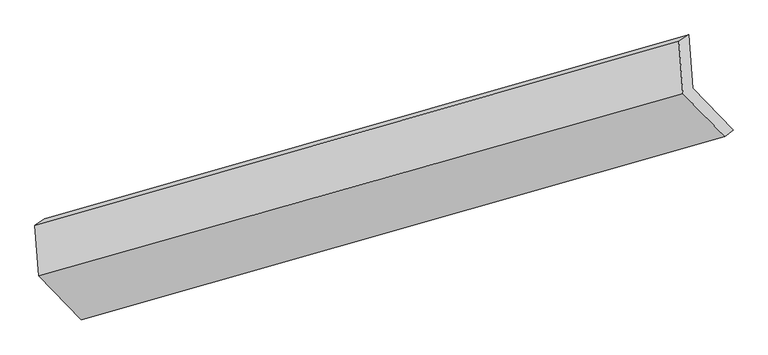
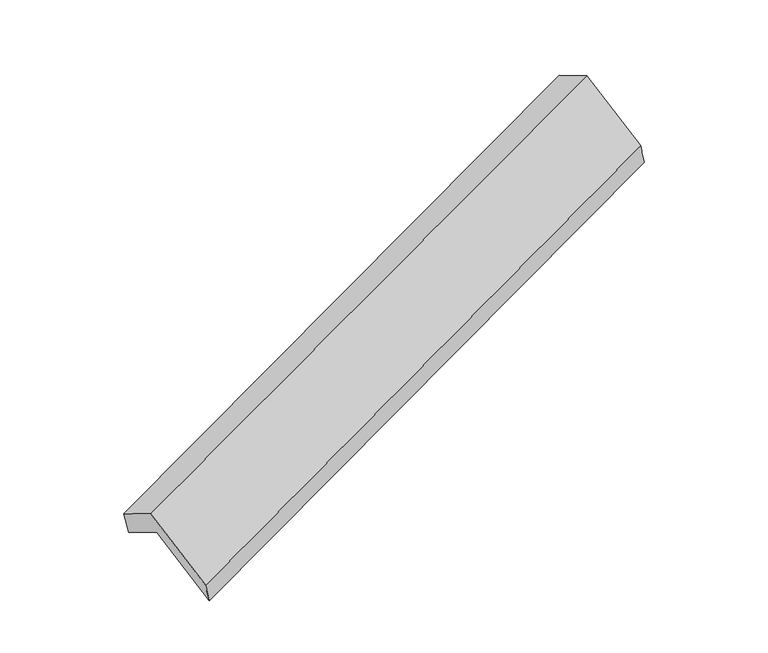
"""IFC4 building model written with IfcOpenShell, lengths in millimetres: proxy geometry."""

from ifc_helpers import new_model, si_unit, frame, origin, place, context, project, spatial, source, transform, mapped, element, save
from ifc_brep_helpers import plane_surface, spline_surface, advanced_brep


def generic_models_2ca21962(model_context):
    return source(origin(), model_context, "Body", "AdvancedBrep", [
        advanced_brep(
        [(-5052.6754085, -2124.9307598, 1287.5263288), (-5079.4506169, -1768.9452085, 1082.4433443), (-797.1003259, -544.5230754, 2648.7154913), (-770.3251175, -900.5086268, 2853.7984758), (-5143.0778231, -1811.5732876, 1289.7309149), (-860.727532, -587.1511546, 2856.003062), (-5117.6033109, -2150.2656377, 1484.8513004), (-834.6026717, -934.4901053, 3056.1047469), (-4835.6882475, -2441.8098954, 941.978969), (-556.8479084, -1221.7319622, 2521.2437357), (-4783.2412454, -2403.567815, 768.6879578), (-500.8909544, -1179.145682, 2334.9601048)],
        [
            (0, 1),
            (1, 2),
            (2, 3),
            (3, 0),
            (1, 4),
            (4, 5),
            (5, 2),
            (4, 6),
            (6, 7),
            (7, 5),
            (6, 8),
            (8, 9),
            (9, 7),
            (8, 10),
            (10, 11),
            (11, 9),
            (10, 0),
            (3, 11),
        ],
        [
            plane_surface(frame((-5066.0630127, -1946.9379841, 1184.9848365), z_axis=(0.41603001075461765, -0.43024008441625844, -0.8011320115392991), x_axis=(-0.06503481194070834, 0.864660061974016, -0.49812995338859867))),
            plane_surface(frame((-5111.26422, -1790.259248, 1186.0871296), z_axis=(-0.30725935621392725, 0.9463257970835183, 0.10029543256423315), x_axis=(-0.2879273947224145, -0.19290162981597445, 0.938022801739224))),
            plane_surface(frame((-5130.340567, -1980.9194627, 1387.2911077), z_axis=(-0.41603001075461776, 0.43024008441625894, 0.8011320115392988), x_axis=(0.06503481194070838, -0.8646600619740157, 0.4981299533885993))),
            plane_surface(frame((-4976.6457792, -2296.0377666, 1213.4151347), z_axis=(0.06311355358570347, -0.8652074125974557, 0.49742618803215477), x_axis=(0.41603001075462015, -0.430240084416259, -0.8011320115392974))),
            spline_surface(1, 1, [[(-4835.6882475, -2441.8098954, 941.978969), (-556.8479084, -1221.7319622, 2521.2437357)], [(-4783.2412454, -2403.567815, 768.6879578), (-500.8909544, -1179.145682, 2334.9601048)]], [2, 2], [2, 2], [0.0, 1.0], [0.0, 1.0]),
            plane_surface(frame((-4917.958327, -2264.2492874, 1028.1071433), z_axis=(-0.0650348119407071, 0.8646600619740157, -0.4981299533885997), x_axis=(-0.4160300107546322, 0.4302400844162556, 0.801132011539293))),
            plane_surface(frame((-720.0824183, -894.5917677, 2711.8042694), z_axis=(0.9070223279431089, 0.25933847957560857, 0.33174395190278166), x_axis=(0.28102980955457635, 0.21387894350330913, -0.935562955480617))),
            plane_surface(frame((-5001.9561087, -2116.8487673, 1142.5364692), z_axis=(-0.9070223279431087, -0.2593384795756128, -0.33174395190277917), x_axis=(0.4160300107546322, -0.4302400844162556, -0.801132011539293))),
        ],
        [
            (0, [[1, 2, 3, 4]]),
            (1, [[5, 6, 7, -2]]),
            (2, [[8, 9, 10, -6]]),
            (3, [[11, 12, 13, -9]]),
            (4, [[14, 15, 16, -12]]),
            (5, [[17, -4, 18, -15]]),
            (6, [[-16, -18, -3, -7, -10, -13]]),
            (7, [[-17, -14, -11, -8, -5, -1]]),
        ],
    ),
    ])


if __name__ == "__main__":
    model = new_model("IFC4")
    model_context = context("Model", 3, world=origin())
    ifc_project = project(units=[si_unit("LENGTHUNIT", "METRE", prefix="MILLI")], contexts=[model_context])
    site = spatial("IfcSite", under=ifc_project)
    building = spatial("IfcBuilding", under=site)
    placement = place(None, origin())
    generic_models_shape = generic_models_2ca21962(model_context)
    element("IfcBuildingElementProxy", 1, Name="Generic Models", at=placement, inside=building, context=model_context, shape_type="MappedRepresentation", body=[
        mapped(generic_models_shape, transform((0.0, 0.0, 0.0), x_axis=(1.0, 0.0, 0.0), y_axis=(0.0, 1.0, 0.0), z_axis=(0.0, 0.0, 1.0))),
    ])
    save(model, "model.ifc")
